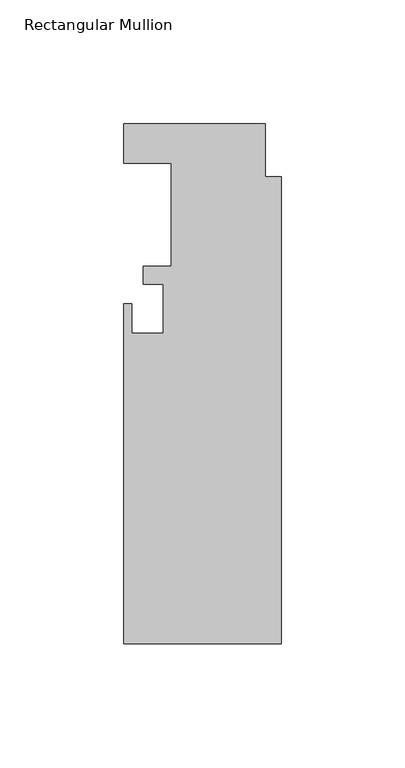
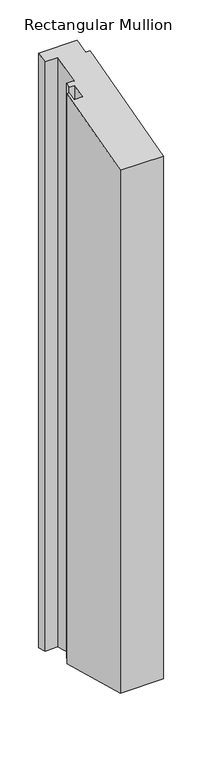
"""IFC4 building model written with IfcOpenShell, lengths in millimetres: member geometry, Rectangular Mullion."""

from ifc_helpers import new_model, si_unit, origin, place, context, project, spatial, faceted_brep, source, transform, mapped, element, save


def rectangular_mullion_490f96e0(model_context):
    return source(origin(), model_context, "Body", "Brep", [
        faceted_brep([(-44.45, 4.8458438, 1.2984399), (-63.5, 4.8458438, 1.2984399), (-63.5, 4.8458438, -922.2166809), (-44.45, 4.8458438, -922.2166809), (-44.45, -36.8101562, -9.8632516), (-44.45, -36.8101562, -911.0549893), (-55.5752, -36.8101562, -9.8632516), (-55.5752, -36.8101562, -911.0549893), (-55.5752, -43.9729562, -11.7825181), (-55.5752, -43.9729562, -909.1357228), (-47.625, -43.9729562, -11.7825181), (-47.625, -43.9729562, -909.1357228), (-47.625, -63.7849562, -17.0911275), (-47.625, -63.7849562, -903.8271134), (-60.325, -63.7849562, -17.0911275), (-60.325, -63.7849562, -903.8271134), (-60.325, -51.8723562, -13.899156), (-60.325, -51.8723562, -907.019085), (-63.5, -51.8723562, -13.899156), (-63.5, -51.8723562, -907.019085), (-63.5, -189.2101562, -50.6987086), (-63.5, -189.2101562, -870.2195324), (0.0, -189.2101562, -50.6987086), (0.0, -189.2101562, -870.2195324), (0.0, -0.5643562, -0.1512188), (0.0, -0.5643562, -920.7670221), (-6.35, -0.5643562, -0.1512188), (-6.35, -0.5643562, -920.7670221), (-6.35, 20.7208438, 5.5521333), (-6.35, 20.7208438, -926.4703743), (-63.5, 20.7208438, 5.5521333), (-63.5, 20.7208438, -926.4703743)], [[[0, 1, 2, 3]], [[4, 0, 3, 5]], [[6, 4, 5, 7]], [[8, 6, 7, 9]], [[10, 8, 9, 11]], [[12, 10, 11, 13]], [[14, 12, 13, 15]], [[16, 14, 15, 17]], [[18, 16, 17, 19]], [[20, 18, 19, 21]], [[22, 20, 21, 23]], [[24, 22, 23, 25]], [[26, 24, 25, 27]], [[28, 26, 27, 29]], [[30, 28, 29, 31]], [[1, 30, 31, 2]], [[1, 0, 4, 6, 8, 10, 12, 14, 16, 18, 20, 22, 24, 26, 28, 30]], [[2, 31, 29, 27, 25, 23, 21, 19, 17, 15, 13, 11, 9, 7, 5, 3]]]),
    ])


if __name__ == "__main__":
    model = new_model("IFC4")
    model_context = context("Model", 3, world=origin())
    ifc_project = project(units=[si_unit("LENGTHUNIT", "METRE", prefix="MILLI")], contexts=[model_context])
    site = spatial("IfcSite", under=ifc_project)
    building = spatial("IfcBuilding", under=site)
    placement = place(None, origin())
    rectangular_mullion_shape = rectangular_mullion_490f96e0(model_context)
    element("IfcMember", 1, ObjectType="Rectangular Mullion", at=placement, inside=building, context=model_context, shape_type="MappedRepresentation", body=[
        mapped(rectangular_mullion_shape, transform((0.0, 0.0, 0.0), x_axis=(1.0, 0.0, 0.0), y_axis=(0.0, 1.0, 0.0), z_axis=(0.0, 0.0, 1.0))),
    ])
    save(model, "model.ifc")
